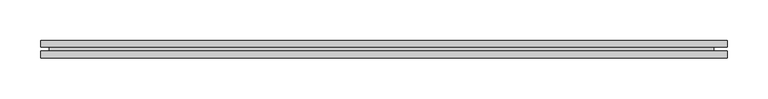
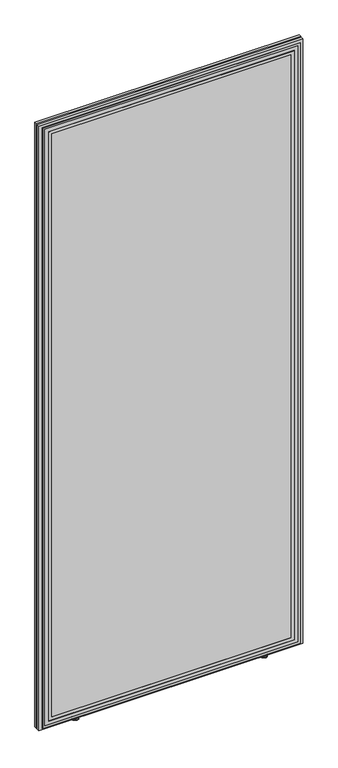
"""IFC4 building model written with IfcOpenShell, lengths in millimetres: furniture geometry."""

from ifc_helpers import new_model, si_unit, point, frame, origin, place, context, project, spatial, polyline, circle_curve, ellipse_curve, trimmed, outline, extrude, faceted_brep, source, transform, mapped, element, save
from ifc_brep_helpers import plane_surface, cylinder_surface, revolved_surface, advanced_brep


def furniture_a3846fe4(model_context):
    return source(origin(), model_context, "Body", "SolidModel", [
        advanced_brep(
        [(522.5140706, 44.4843749, -0.3015086), (531.7640692, 44.4843749, -0.3015086), (513.264072, 44.4843749, -0.3015086), (532.5140689, 44.4843749, 0.448491), (512.5140724, 44.4843749, 0.448491), (532.5140689, 44.4843749, 4.4484915), (512.5140724, 44.4843749, 4.4484915), (531.7640692, 44.4843749, 5.1984911), (513.264072, 44.4843749, 5.1984911), (525.5140692, 44.4843749, 5.1984911), (519.514072, 44.4843749, 5.1984911), (525.5140692, 44.4843749, 24.1984919), (519.514072, 44.4843749, 24.1984919), (522.5140706, 44.4843749, 24.1984919)],
        [
            (0, 1),
            (1, 2, circle_curve(frame((522.5140706, 44.4843749, -0.3015086), z_axis=(0.0, 0.0, -1.0), x_axis=(1.0, 0.0, 0.0)), 9.2499986)),
            (2, 0),
            (2, 1, circle_curve(frame((522.5140706, 44.4843749, -0.3015086), z_axis=(0.0, 0.0, -1.0), x_axis=(1.0, 0.0, 0.0)), 9.2499986)),
            (1, 3, circle_curve(frame((531.7640692, 44.4843749, 0.448491), z_axis=(0.0, -1.0, 0.0), x_axis=(-1.0, 0.0, 0.0)), 0.7499996)),
            (3, 4, circle_curve(frame((522.5140706, 44.4843749, 0.448491), z_axis=(0.0, 0.0, -1.0), x_axis=(1.0, 0.0, 0.0)), 9.9999983)),
            (4, 2, circle_curve(frame((513.264072, 44.4843749, 0.448491), z_axis=(0.0, -1.0, 0.0), x_axis=(1.0, 0.0, 0.0)), 0.7499996)),
            (4, 3, circle_curve(frame((522.5140706, 44.4843749, 0.448491), z_axis=(0.0, 0.0, -1.0), x_axis=(1.0, 0.0, 0.0)), 9.9999983)),
            (3, 5),
            (5, 6, circle_curve(frame((522.5140706, 44.4843749, 4.4484915), z_axis=(0.0, 0.0, -1.0), x_axis=(1.0, 0.0, 0.0)), 9.9999983)),
            (6, 4),
            (6, 5, circle_curve(frame((522.5140706, 44.4843749, 4.4484915), z_axis=(0.0, 0.0, -1.0), x_axis=(1.0, 0.0, 0.0)), 9.9999983)),
            (5, 7, circle_curve(frame((531.7640692, 44.4843749, 4.4484915), z_axis=(0.0, -1.0, 0.0), x_axis=(-1.0, 0.0, 0.0)), 0.7499996)),
            (7, 8, circle_curve(frame((522.5140706, 44.4843749, 5.1984911), z_axis=(0.0, 0.0, -1.0), x_axis=(1.0, 0.0, 0.0)), 9.2499986)),
            (8, 6, circle_curve(frame((513.264072, 44.4843749, 4.4484915), z_axis=(0.0, -1.0, 0.0), x_axis=(1.0, 0.0, 0.0)), 0.7499996)),
            (8, 7, circle_curve(frame((522.5140706, 44.4843749, 5.1984911), z_axis=(0.0, 0.0, -1.0), x_axis=(1.0, 0.0, 0.0)), 9.2499986)),
            (7, 9),
            (9, 10, circle_curve(frame((522.5140706, 44.4843749, 5.1984911), z_axis=(0.0, 0.0, -1.0), x_axis=(1.0, 0.0, 0.0)), 2.9999986)),
            (10, 8),
            (10, 9, circle_curve(frame((522.5140706, 44.4843749, 5.1984911), z_axis=(0.0, 0.0, -1.0), x_axis=(1.0, 0.0, 0.0)), 2.9999986)),
            (9, 11),
            (11, 12, circle_curve(frame((522.5140706, 44.4843749, 24.1984919), z_axis=(0.0, 0.0, -1.0), x_axis=(1.0, 0.0, 0.0)), 2.9999986)),
            (12, 10),
            (12, 11, circle_curve(frame((522.5140706, 44.4843749, 24.1984919), z_axis=(0.0, 0.0, -1.0), x_axis=(1.0, 0.0, 0.0)), 2.9999986)),
            (11, 13),
            (13, 12),
        ],
        [
            plane_surface(frame((522.5140706, 44.4843749, -0.3015086), z_axis=(0.0, 0.0, -1.0), x_axis=(1.0, 0.0, 0.0))),
            revolved_surface(trimmed(ellipse_curve(frame((531.7640692, 44.4843749, 0.448491), z_axis=(0.0, 1.0, 0.0), x_axis=(-1.0, 0.0, 0.0)), 0.7499996, 0.7499996), [point((532.5140689, 44.4843749, 0.448491))], [point((531.7640692, 44.4843749, -0.3015086))], True, "CARTESIAN"), (522.5140706, 44.4843749, 24.1984919), (0.0, 0.0, -1.0)),
            cylinder_surface(frame((522.5140706, 44.4843749, 24.1984919), z_axis=(0.0, 0.0, -1.0), x_axis=(1.0, 0.0, 0.0)), 9.9999983),
            revolved_surface(trimmed(ellipse_curve(frame((531.7640692, 44.4843749, 4.4484915), z_axis=(0.0, 1.0, 0.0), x_axis=(-1.0, 0.0, 0.0)), 0.7499996, 0.7499996), [point((531.7640692, 44.4843749, 5.1984911))], [point((532.5140689, 44.4843749, 4.4484915))], True, "CARTESIAN"), (522.5140706, 44.4843749, 24.1984919), (0.0, 0.0, -1.0)),
            plane_surface(frame((522.5140706, 44.4843749, 5.1984911), z_axis=(0.0, 0.0, 1.0), x_axis=(1.0, 0.0, 0.0))),
            cylinder_surface(frame((522.5140706, 44.4843749, 24.1984919), z_axis=(0.0, 0.0, -1.0), x_axis=(1.0, 0.0, 0.0)), 2.9999986),
            plane_surface(frame((522.5140706, 44.4843749, 24.1984919), z_axis=(0.0, 0.0, 1.0), x_axis=(1.0, 0.0, 0.0))),
        ],
        [
            (0, [[1, 2, 3]]),
            (0, [[-3, 4, -1]]),
            (1, [[-2, 5, 6, 7]]),
            (1, [[-4, -7, 8, -5]]),
            (2, [[-6, 9, 10, 11]]),
            (2, [[-8, -11, 12, -9]]),
            (3, [[-10, 13, 14, 15]]),
            (3, [[-12, -15, 16, -13]]),
            (4, [[-14, 17, 18, 19]]),
            (4, [[-16, -19, 20, -17]]),
            (5, [[-18, 21, 22, 23]]),
            (5, [[-20, -23, 24, -21]]),
            (6, [[-22, 25, 26]]),
            (6, [[-24, -26, -25]]),
        ],
    ),
        advanced_brep(
        [(1131.655067, 44.4843749, -0.3015086), (1113.1550698, 44.4843749, -0.3015086), (1122.4050684, 44.4843749, -0.3015086), (1132.4050667, 44.4843749, 0.448491), (1112.4050702, 44.4843749, 0.448491), (1132.4050667, 44.4843749, 4.4484915), (1112.4050702, 44.4843749, 4.4484915), (1131.655067, 44.4843749, 5.1984911), (1113.1550698, 44.4843749, 5.1984911), (1125.405067, 44.4843749, 5.1984911), (1119.4050699, 44.4843749, 5.1984911), (1125.405067, 44.4843749, 24.1984919), (1119.4050699, 44.4843749, 24.1984919), (1122.4050684, 44.4843749, 24.1984919)],
        [
            (0, 1, circle_curve(frame((1122.4050684, 44.4843749, -0.3015086), z_axis=(0.0, 0.0, -1.0), x_axis=(-1.0, 0.0, 0.0)), 9.2499986)),
            (1, 2),
            (2, 0),
            (1, 0, circle_curve(frame((1122.4050684, 44.4843749, -0.3015086), z_axis=(0.0, 0.0, -1.0), x_axis=(-1.0, 0.0, 0.0)), 9.2499986)),
            (3, 4, circle_curve(frame((1122.4050684, 44.4843749, 0.448491), z_axis=(0.0, 0.0, -1.0), x_axis=(-1.0, 0.0, 0.0)), 9.9999983)),
            (4, 1, circle_curve(frame((1113.1550698, 44.4843749, 0.448491), z_axis=(0.0, -1.0, 0.0), x_axis=(1.0, 0.0, 0.0)), 0.7499996)),
            (0, 3, circle_curve(frame((1131.655067, 44.4843749, 0.448491), z_axis=(0.0, -1.0, 0.0), x_axis=(-1.0, 0.0, 0.0)), 0.7499996)),
            (4, 3, circle_curve(frame((1122.4050684, 44.4843749, 0.448491), z_axis=(0.0, 0.0, -1.0), x_axis=(-1.0, 0.0, 0.0)), 9.9999983)),
            (5, 6, circle_curve(frame((1122.4050684, 44.4843749, 4.4484915), z_axis=(0.0, 0.0, -1.0), x_axis=(-1.0, 0.0, 0.0)), 9.9999983)),
            (6, 4),
            (3, 5),
            (6, 5, circle_curve(frame((1122.4050684, 44.4843749, 4.4484915), z_axis=(0.0, 0.0, -1.0), x_axis=(-1.0, 0.0, 0.0)), 9.9999983)),
            (7, 8, circle_curve(frame((1122.4050684, 44.4843749, 5.1984911), z_axis=(0.0, 0.0, -1.0), x_axis=(-1.0, 0.0, 0.0)), 9.2499986)),
            (8, 6, circle_curve(frame((1113.1550698, 44.4843749, 4.4484915), z_axis=(0.0, -1.0, 0.0), x_axis=(1.0, 0.0, 0.0)), 0.7499996)),
            (5, 7, circle_curve(frame((1131.655067, 44.4843749, 4.4484915), z_axis=(0.0, -1.0, 0.0), x_axis=(-1.0, 0.0, 0.0)), 0.7499996)),
            (8, 7, circle_curve(frame((1122.4050684, 44.4843749, 5.1984911), z_axis=(0.0, 0.0, -1.0), x_axis=(-1.0, 0.0, 0.0)), 9.2499986)),
            (9, 10, circle_curve(frame((1122.4050684, 44.4843749, 5.1984911), z_axis=(0.0, 0.0, -1.0), x_axis=(-1.0, 0.0, 0.0)), 2.9999986)),
            (10, 8),
            (7, 9),
            (10, 9, circle_curve(frame((1122.4050684, 44.4843749, 5.1984911), z_axis=(0.0, 0.0, -1.0), x_axis=(-1.0, 0.0, 0.0)), 2.9999986)),
            (11, 12, circle_curve(frame((1122.4050684, 44.4843749, 24.1984919), z_axis=(0.0, 0.0, -1.0), x_axis=(-1.0, 0.0, 0.0)), 2.9999986)),
            (12, 10),
            (9, 11),
            (12, 11, circle_curve(frame((1122.4050684, 44.4843749, 24.1984919), z_axis=(0.0, 0.0, -1.0), x_axis=(-1.0, 0.0, 0.0)), 2.9999986)),
            (13, 12),
            (11, 13),
        ],
        [
            plane_surface(frame((1122.4050684, 44.4843749, -0.3015086), z_axis=(0.0, 0.0, -1.0), x_axis=(-1.0, 0.0, 0.0))),
            revolved_surface(trimmed(ellipse_curve(frame((1113.1550698, 44.4843749, 0.448491), z_axis=(0.0, 1.0, 0.0), x_axis=(1.0, 0.0, 0.0)), 0.7499996, 0.7499996), [point((1113.1550698, 44.4843749, -0.3015086))], [point((1112.4050702, 44.4843749, 0.448491))], True, "CARTESIAN"), (1122.4050684, 44.4843749, 24.1984919), (0.0, 0.0, 1.0)),
            cylinder_surface(frame((1122.4050684, 44.4843749, 24.1984919), z_axis=(0.0, 0.0, 1.0), x_axis=(-1.0, 0.0, 0.0)), 9.9999983),
            revolved_surface(trimmed(ellipse_curve(frame((1113.1550698, 44.4843749, 4.4484915), z_axis=(0.0, 1.0, 0.0), x_axis=(1.0, 0.0, 0.0)), 0.7499996, 0.7499996), [point((1112.4050702, 44.4843749, 4.4484915))], [point((1113.1550698, 44.4843749, 5.1984911))], True, "CARTESIAN"), (1122.4050684, 44.4843749, 24.1984919), (0.0, 0.0, 1.0)),
            plane_surface(frame((1122.4050684, 44.4843749, 5.1984911), z_axis=(0.0, 0.0, 1.0), x_axis=(-1.0, 0.0, 0.0))),
            cylinder_surface(frame((1122.4050684, 44.4843749, 24.1984919), z_axis=(0.0, 0.0, 1.0), x_axis=(-1.0, 0.0, 0.0)), 2.9999986),
            plane_surface(frame((1122.4050684, 44.4843749, 24.1984919), z_axis=(0.0, 0.0, 1.0), x_axis=(-1.0, 0.0, 0.0))),
        ],
        [
            (0, [[1, 2, 3]]),
            (0, [[4, -3, -2]]),
            (1, [[5, 6, -1, 7]]),
            (1, [[8, -7, -4, -6]]),
            (2, [[9, 10, -5, 11]]),
            (2, [[12, -11, -8, -10]]),
            (3, [[13, 14, -9, 15]]),
            (3, [[16, -15, -12, -14]]),
            (4, [[17, 18, -13, 19]]),
            (4, [[20, -19, -16, -18]]),
            (5, [[21, 22, -17, 23]]),
            (5, [[24, -23, -20, -22]]),
            (6, [[25, -21, 26]]),
            (6, [[-26, -24, -25]]),
        ],
    ),
        faceted_brep([(400.5814445, 41.9999999, 2039.8382812), (400.5814445, 33.9328125, 2039.8382812), (1240.567382, 33.9328125, 2039.8382812), (1240.567382, 41.9999999, 2039.8382812), (400.5814445, 41.9999999, 8.0000232), (1240.567382, 41.9999999, 8.0000232), (1240.567382, 33.9328125, 8.0000232), (400.5814445, 33.9328125, 8.0000232), (1232.4249098, 33.9328125, 9.7609912), (412.4249186, 33.9328125, 9.7609912), (412.4249186, 33.9328125, 2029.7609894), (1232.4249098, 33.9328125, 2029.7609894), (1224.5713569, 33.9328125, 2021.907399), (420.2784363, 33.9328125, 2021.907399), (420.2784363, 33.9328125, 17.6145453), (1224.5713569, 33.9328125, 17.6145453), (1212.92491, 33.9328125, 2010.2610168), (1212.92491, 33.9328125, 29.260991), (431.9248911, 33.9328125, 29.260991), (431.9248911, 33.9328125, 2010.2610168), (1231.9249108, 33.9328125, 10.2609914), (1231.9249108, 33.9328125, 2029.2610199), (412.924888, 33.9328125, 2029.2610199), (412.924888, 33.9328125, 10.2609914), (420.1162369, 33.9328125, 2022.0695984), (1224.7335688, 33.9328125, 2022.0695984), (1224.7335688, 33.9328125, 17.4523323), (420.1162369, 33.9328125, 17.4523323), (1212.424911, 33.9328125, 2009.7610474), (432.4249332, 33.9328125, 2009.7610474), (432.4249332, 33.9328125, 29.7609923), (1212.424911, 33.9328125, 29.7609923), (1202.4249082, 33.9328125, 1999.760931), (1202.4249082, 33.9328125, 39.7609905), (442.4249042, 33.9328125, 39.7609905), (442.4249042, 33.9328125, 1999.760931), (420.1162369, 38.9500002, 2022.0695984), (420.1162369, 38.9500002, 17.4523323), (1224.7335688, 38.9500002, 17.4523323), (1224.7335688, 38.9500002, 2022.0695984), (1224.5713569, 38.9500002, 2021.907399), (1224.5713569, 38.9500002, 17.6145453), (420.2784363, 38.9500002, 17.6145453), (420.2784363, 38.9500002, 2021.907399), (1232.4249098, 38.9500002, 9.7609912), (1232.4249098, 38.9500002, 2029.7609894), (412.4249186, 38.9500002, 2029.7609894), (412.4249186, 38.9500002, 9.7609912), (1231.9249108, 38.9500002, 10.2609914), (412.924888, 38.9500002, 10.2609914), (412.924888, 38.9500002, 2029.2610199), (1231.9249108, 38.9500002, 2029.2610199), (1202.4249082, 34.2586583, 1999.760931), (442.4249042, 34.2586583, 1999.760931), (442.4249042, 34.2586583, 39.7609905), (1202.4249082, 34.2586583, 39.7609905), (1212.92491, 34.2586583, 2010.2610168), (431.9248911, 34.2586583, 2010.2610168), (431.9248911, 34.2586583, 29.260991), (1212.92491, 34.2586583, 29.260991), (1212.424911, 34.2586583, 2009.7610474), (1212.424911, 34.2586583, 29.7609923), (432.4249332, 34.2586583, 29.7609923), (432.4249332, 34.2586583, 2009.7610474)], [[[0, 1, 2, 3]], [[4, 5, 6, 7]], [[0, 3, 5, 4]], [[3, 2, 6, 5]], [[2, 1, 7, 6], [8, 9, 10, 11]], [[12, 13, 14, 15], [16, 17, 18, 19]], [[20, 21, 22, 23], [24, 25, 26, 27]], [[28, 29, 30, 31], [32, 33, 34, 35]], [[1, 0, 4, 7]], [[36, 37, 38, 39], [40, 41, 42, 43]], [[44, 45, 46, 47], [48, 49, 50, 51]], [[40, 43, 13, 12]], [[43, 42, 14, 13]], [[42, 41, 15, 14]], [[41, 40, 12, 15]], [[36, 39, 25, 24]], [[39, 38, 26, 25]], [[38, 37, 27, 26]], [[37, 36, 24, 27]], [[44, 47, 9, 8]], [[47, 46, 10, 9]], [[46, 45, 11, 10]], [[45, 44, 8, 11]], [[48, 51, 21, 20]], [[51, 50, 22, 21]], [[50, 49, 23, 22]], [[49, 48, 20, 23]], [[52, 53, 54, 55]], [[56, 57, 58, 59], [60, 61, 62, 63]], [[52, 55, 33, 32]], [[55, 54, 34, 33]], [[54, 53, 35, 34]], [[53, 52, 32, 35]], [[56, 59, 17, 16]], [[59, 58, 18, 17]], [[58, 57, 19, 18]], [[57, 56, 16, 19]], [[60, 63, 29, 28]], [[63, 62, 30, 29]], [[62, 61, 31, 30]], [[61, 60, 28, 31]]]),
        faceted_brep([(400.5814445, 46.9000001, 2039.8382812), (1240.567382, 46.9000001, 2039.8382812), (1240.567382, 54.9671875, 2039.8382812), (400.5814445, 54.9671875, 2039.8382812), (400.5814445, 46.9000001, 8.0000232), (400.5814445, 54.9671875, 8.0000232), (1240.567382, 54.9671875, 8.0000232), (1240.567382, 46.9000001, 8.0000232), (412.4249186, 54.9671875, 9.7609912), (1232.4249098, 54.9671875, 9.7609912), (1232.4249098, 54.9671875, 2029.7609894), (412.4249186, 54.9671875, 2029.7609894), (432.4249332, 54.9671875, 2009.7610474), (1212.424911, 54.9671875, 2009.7610474), (1212.424911, 54.9671875, 29.7609923), (432.4249332, 54.9671875, 29.7609923), (1202.4249082, 54.9671875, 39.7609905), (1202.4249082, 54.9671875, 1999.760931), (442.4249042, 54.9671875, 1999.760931), (442.4249042, 54.9671875, 39.7609905), (420.2784363, 54.9671875, 2021.907399), (1224.5713569, 54.9671875, 2021.907399), (1224.5713569, 54.9671875, 17.6145453), (420.2784363, 54.9671875, 17.6145453), (1212.92491, 54.9671875, 29.260991), (1212.92491, 54.9671875, 2010.2610168), (431.9248911, 54.9671875, 2010.2610168), (431.9248911, 54.9671875, 29.260991), (1231.9249108, 54.9671875, 2029.2610199), (1231.9249108, 54.9671875, 10.2609914), (412.924888, 54.9671875, 10.2609914), (412.924888, 54.9671875, 2029.2610199), (1224.7335688, 54.9671875, 2022.0695984), (420.1162369, 54.9671875, 2022.0695984), (420.1162369, 54.9671875, 17.4523323), (1224.7335688, 54.9671875, 17.4523323), (1202.4249082, 54.6413417, 1999.760931), (1202.4249082, 54.6413417, 39.7609905), (442.4249042, 54.6413417, 39.7609905), (442.4249042, 54.6413417, 1999.760931), (1212.92491, 54.6413417, 2010.2610168), (1212.92491, 54.6413417, 29.260991), (431.9248911, 54.6413417, 29.260991), (431.9248911, 54.6413417, 2010.2610168), (1212.424911, 54.6413417, 2009.7610474), (432.4249332, 54.6413417, 2009.7610474), (432.4249332, 54.6413417, 29.7609923), (1212.424911, 54.6413417, 29.7609923), (420.1162369, 49.9499998, 2022.0695984), (1224.7335688, 49.9499998, 2022.0695984), (1224.7335688, 49.9499998, 17.4523323), (420.1162369, 49.9499998, 17.4523323), (1224.5713569, 49.9499998, 2021.907399), (420.2784363, 49.9499998, 2021.907399), (420.2784363, 49.9499998, 17.6145453), (1224.5713569, 49.9499998, 17.6145453), (1232.4249098, 49.9499998, 9.7609912), (412.4249186, 49.9499998, 9.7609912), (412.4249186, 49.9499998, 2029.7609894), (1232.4249098, 49.9499998, 2029.7609894), (1231.9249108, 49.9499998, 10.2609914), (1231.9249108, 49.9499998, 2029.2610199), (412.924888, 49.9499998, 2029.2610199), (412.924888, 49.9499998, 10.2609914)], [[[0, 1, 2, 3]], [[4, 5, 6, 7]], [[1, 0, 4, 7]], [[2, 1, 7, 6]], [[3, 2, 6, 5], [8, 9, 10, 11]], [[12, 13, 14, 15], [16, 17, 18, 19]], [[20, 21, 22, 23], [24, 25, 26, 27]], [[28, 29, 30, 31], [32, 33, 34, 35]], [[0, 3, 5, 4]], [[36, 37, 38, 39]], [[40, 41, 42, 43], [44, 45, 46, 47]], [[37, 36, 17, 16]], [[38, 37, 16, 19]], [[39, 38, 19, 18]], [[36, 39, 18, 17]], [[41, 40, 25, 24]], [[42, 41, 24, 27]], [[43, 42, 27, 26]], [[40, 43, 26, 25]], [[45, 44, 13, 12]], [[46, 45, 12, 15]], [[47, 46, 15, 14]], [[44, 47, 14, 13]], [[48, 49, 50, 51], [52, 53, 54, 55]], [[56, 57, 58, 59], [60, 61, 62, 63]], [[53, 52, 21, 20]], [[54, 53, 20, 23]], [[55, 54, 23, 22]], [[52, 55, 22, 21]], [[49, 48, 33, 32]], [[50, 49, 32, 35]], [[51, 50, 35, 34]], [[48, 51, 34, 33]], [[57, 56, 9, 8]], [[58, 57, 8, 11]], [[59, 58, 11, 10]], [[56, 59, 10, 9]], [[61, 60, 29, 28]], [[62, 61, 28, 31]], [[63, 62, 31, 30]], [[60, 63, 30, 29]]]),
        extrude(outline(polyline([(1224.4249099, 46.9000001), (1224.4249099, 41.9999999), (410.9466877, 41.9999999), (410.9466877, 46.9000001), (1224.4249099, 46.9000001)])), frame((0.0, 0.0, 8.0000232), z_axis=(0.0, 0.0, 1.0), x_axis=(1.0, 0.0, 0.0)), (0.0, 0.0, 1.0), 2022.0000504),
    ])


if __name__ == "__main__":
    model = new_model("IFC4")
    model_context = context("Model", 3, world=origin())
    ifc_project = project(units=[si_unit("LENGTHUNIT", "METRE", prefix="MILLI")], contexts=[model_context])
    site = spatial("IfcSite", under=ifc_project)
    building = spatial("IfcBuilding", under=site)
    placement = place(None, origin())
    furniture_shape = furniture_a3846fe4(model_context)
    element("IfcFurniture", 1, at=placement, inside=building, context=model_context, shape_type="MappedRepresentation", body=[
        mapped(furniture_shape, transform((0.0, 0.0, 0.0), x_axis=(1.0, 0.0, 0.0), y_axis=(0.0, 1.0, 0.0), z_axis=(0.0, 0.0, 1.0))),
    ])
    save(model, "model.ifc")
